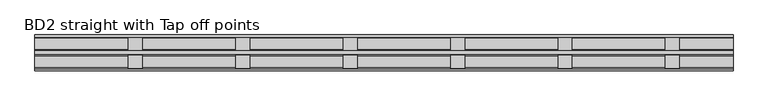
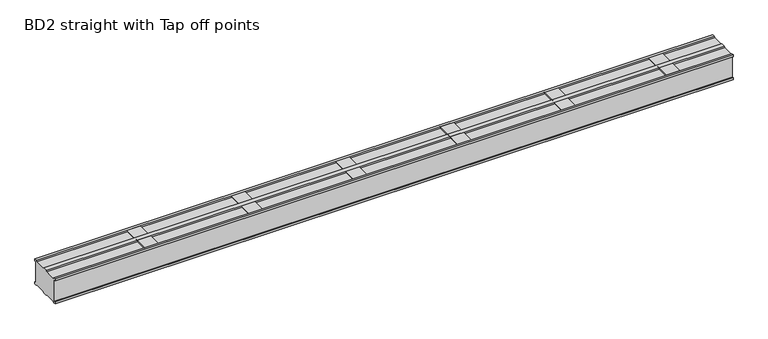
"""IFC4 building model written with IfcOpenShell, lengths in millimetres: proxy geometry, BD2 straight with Tap off points."""

from ifc_helpers import new_model, si_unit, frame, origin, origin_with_axes, place, context, project, spatial, polyline, outline, extrude, source, transform, mapped, element, save


def bd2_straight_with_tap_off_points_7d2ad64c(model_context):
    return source(origin(), model_context, "Body", "SweptSolid", [
        extrude(outline(polyline([(162.0, 116.0), (162.0, 10.0), (167.0, 10.0), (167.0, 0.0), (157.0, 0.0), (152.0, 5.0), (98.5, 5.0), (93.5, 0.0), (73.5, 0.0), (68.5, 5.0), (15.0, 5.0), (10.0, 0.0), (0.0, 0.0), (0.0, 10.0), (5.0, 10.0), (5.0, 116.0), (0.0, 116.0), (0.0, 126.0), (10.0, 126.0), (15.0, 121.0), (68.5, 121.0), (73.5, 126.0), (93.5, 126.0), (98.5, 121.0), (152.0, 121.0), (157.0, 126.0), (167.0, 126.0), (167.0, 116.0), (162.0, 116.0)])), frame((0.0, 0.0, 0.0), z_axis=(1.0, 0.0, 0.0), x_axis=(0.0, 1.0, 0.0)), (0.0, 0.0, 1.0), 3250.0),
        extrude(outline(polyline([(819.0, 157.0), (819.0, 10.0), (754.0, 10.0), (754.0, 157.0), (819.0, 157.0)])), origin_with_axes(), (0.0, 0.0, 1.0), 5.0),
        extrude(outline(polyline([(1319.0, 157.0), (1319.0, 10.0), (1254.0, 10.0), (1254.0, 157.0), (1319.0, 157.0)])), origin_with_axes(), (0.0, 0.0, 1.0), 5.0),
        extrude(outline(polyline([(1000.0, 157.0), (1000.0, 10.0), (935.0, 10.0), (935.0, 157.0), (1000.0, 157.0)])), frame((0.0, 0.0, 121.0), z_axis=(0.0, 0.0, 1.0), x_axis=(1.0, 0.0, 0.0)), (0.0, 0.0, 1.0), 5.0),
        extrude(outline(polyline([(1500.0, 157.0), (1500.0, 10.0), (1435.0, 10.0), (1435.0, 157.0), (1500.0, 157.0)])), frame((0.0, 0.0, 121.0), z_axis=(0.0, 0.0, 1.0), x_axis=(1.0, 0.0, 0.0)), (0.0, 0.0, 1.0), 5.0),
        extrude(outline(polyline([(1819.0, 157.0), (1819.0, 10.0), (1754.0, 10.0), (1754.0, 157.0), (1819.0, 157.0)])), origin_with_axes(), (0.0, 0.0, 1.0), 5.0),
        extrude(outline(polyline([(2319.0, 157.0), (2319.0, 10.0), (2254.0, 10.0), (2254.0, 157.0), (2319.0, 157.0)])), origin_with_axes(), (0.0, 0.0, 1.0), 5.0),
        extrude(outline(polyline([(2000.0, 157.0), (2000.0, 10.0), (1935.0, 10.0), (1935.0, 157.0), (2000.0, 157.0)])), frame((0.0, 0.0, 121.0), z_axis=(0.0, 0.0, 1.0), x_axis=(1.0, 0.0, 0.0)), (0.0, 0.0, 1.0), 5.0),
        extrude(outline(polyline([(2500.0, 157.0), (2500.0, 10.0), (2435.0, 10.0), (2435.0, 157.0), (2500.0, 157.0)])), frame((0.0, 0.0, 121.0), z_axis=(0.0, 0.0, 1.0), x_axis=(1.0, 0.0, 0.0)), (0.0, 0.0, 1.0), 5.0),
        extrude(outline(polyline([(319.0, 157.0), (319.0, 10.0), (254.0, 10.0), (254.0, 157.0), (319.0, 157.0)])), origin_with_axes(), (0.0, 0.0, 1.0), 5.0),
        extrude(outline(polyline([(500.0, 157.0), (500.0, 10.0), (435.0, 10.0), (435.0, 157.0), (500.0, 157.0)])), frame((0.0, 0.0, 121.0), z_axis=(0.0, 0.0, 1.0), x_axis=(1.0, 0.0, 0.0)), (0.0, 0.0, 1.0), 5.0),
        extrude(outline(polyline([(2819.0, 157.0), (2819.0, 10.0), (2754.0, 10.0), (2754.0, 157.0), (2819.0, 157.0)])), origin_with_axes(), (0.0, 0.0, 1.0), 5.0),
        extrude(outline(polyline([(3000.0, 157.0), (3000.0, 10.0), (2935.0, 10.0), (2935.0, 157.0), (3000.0, 157.0)])), frame((0.0, 0.0, 121.0), z_axis=(0.0, 0.0, 1.0), x_axis=(1.0, 0.0, 0.0)), (0.0, 0.0, 1.0), 5.0),
    ])


if __name__ == "__main__":
    model = new_model("IFC4")
    model_context = context("Model", 3, world=origin())
    ifc_project = project(units=[si_unit("LENGTHUNIT", "METRE", prefix="MILLI")], contexts=[model_context])
    site = spatial("IfcSite", under=ifc_project)
    building = spatial("IfcBuilding", under=site)
    placement = place(None, origin())
    bd2_straight_with_tap_off_points_shape = bd2_straight_with_tap_off_points_7d2ad64c(model_context)
    element("IfcBuildingElementProxy", 1, Name="BD2 straight with Tap off points", ObjectType="BD2 straight with Tap off points", at=placement, inside=building, context=model_context, shape_type="MappedRepresentation", body=[
        mapped(bd2_straight_with_tap_off_points_shape, transform((0.0, 0.0, 0.0), x_axis=(1.0, 0.0, 0.0), y_axis=(0.0, 1.0, 0.0), z_axis=(0.0, 0.0, 1.0))),
    ])
    save(model, "model.ifc")
